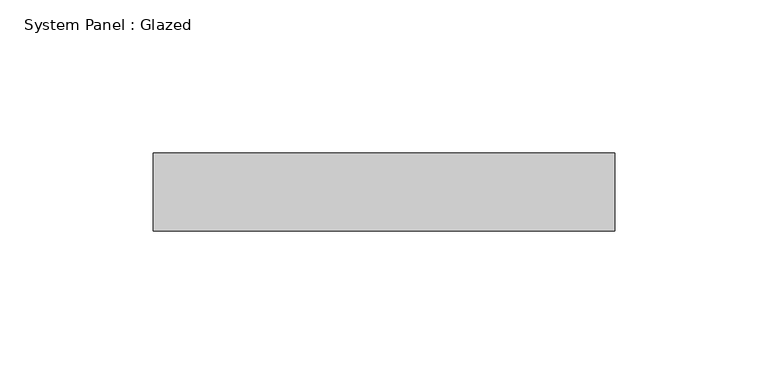
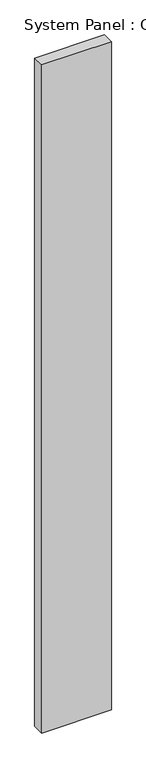
"""IFC4 building model written with IfcOpenShell, lengths in millimetres: plate geometry, System Panel : Glazed."""

from ifc_helpers import new_model, si_unit, origin, origin_with_axes, place, context, project, spatial, polyline, outline, extrude, source, transform, mapped, element, save


def system_panel_glazed_7f2fd964(model_context):
    return source(origin(), model_context, "Body", "SweptSolid", [
        extrude(outline(polyline([(75.2974388, 19.05), (-75.2974388, 19.05), (-75.2974388, 44.45), (75.2974388, 44.45), (75.2974388, 19.05)])), origin_with_axes(), (0.0, 0.0, 1.0), 1524.0),
    ])


if __name__ == "__main__":
    model = new_model("IFC4")
    model_context = context("Model", 3, world=origin())
    ifc_project = project(units=[si_unit("LENGTHUNIT", "METRE", prefix="MILLI")], contexts=[model_context])
    site = spatial("IfcSite", under=ifc_project)
    building = spatial("IfcBuilding", under=site)
    placement = place(None, origin())
    system_panel_glazed_shape = system_panel_glazed_7f2fd964(model_context)
    element("IfcPlate", 1, ObjectType="System Panel : Glazed", at=placement, inside=building, context=model_context, shape_type="MappedRepresentation", body=[
        mapped(system_panel_glazed_shape, transform((0.0, 0.0, 0.0), x_axis=(1.0, 0.0, 0.0), y_axis=(0.0, 1.0, 0.0), z_axis=(0.0, 0.0, 1.0))),
    ])
    save(model, "model.ifc")
